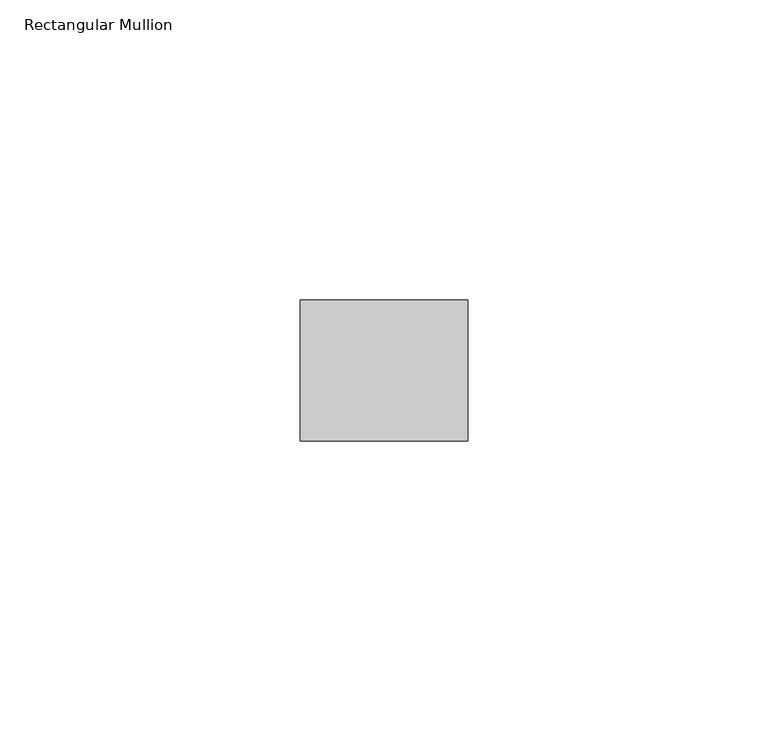
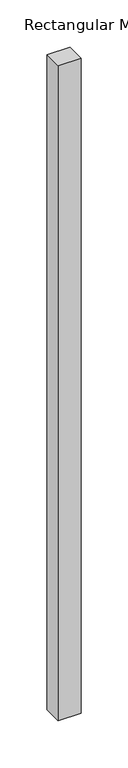
"""IFC4 building model written with IfcOpenShell, lengths in millimetres: member geometry, Rectangular Mullion."""

from ifc_helpers import new_model, si_unit, frame, origin, place, context, project, spatial, polyline, outline, extrude, source, transform, mapped, element, save


def rectangular_mullion_a14342a2(model_context):
    return source(origin(), model_context, "Body", "SweptSolid", [
        extrude(outline(polyline([(0.0, -11.7474999), (-27.94, -11.7474999), (-27.94, 11.7474999), (0.0, 11.7474999), (0.0, -11.7474999)])), frame((0.0, 0.0, -847.5437045), z_axis=(0.0, 0.0, 1.0), x_axis=(1.0, 0.0, 0.0)), (0.0, 0.0, 1.0), 847.5437045),
    ])


if __name__ == "__main__":
    model = new_model("IFC4")
    model_context = context("Model", 3, world=origin())
    ifc_project = project(units=[si_unit("LENGTHUNIT", "METRE", prefix="MILLI")], contexts=[model_context])
    site = spatial("IfcSite", under=ifc_project)
    building = spatial("IfcBuilding", under=site)
    placement = place(None, origin())
    rectangular_mullion_shape = rectangular_mullion_a14342a2(model_context)
    element("IfcMember", 1, ObjectType="Rectangular Mullion", at=placement, inside=building, context=model_context, shape_type="MappedRepresentation", body=[
        mapped(rectangular_mullion_shape, transform((0.0, 0.0, 0.0), x_axis=(1.0, 0.0, 0.0), y_axis=(0.0, 1.0, 0.0), z_axis=(0.0, 0.0, 1.0))),
    ])
    save(model, "model.ifc")
